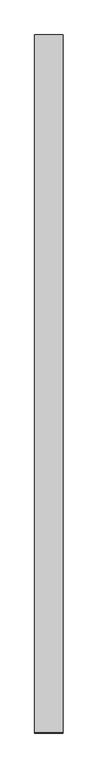
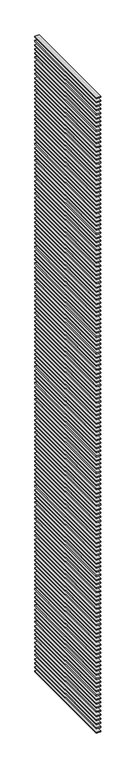
"""IFC4 building model written with IfcOpenShell, lengths in millimetres: proxy geometry."""

from ifc_helpers import new_model, si_unit, frame, origin, place, context, project, spatial, polyline, outline, extrude, source, transform, mapped, element, save


def generic_models_310be010(model_context):
    return source(origin(), model_context, "Body", "SweptSolid", [
        extrude(outline(polyline([(-100.0, -4895.0), (-300.0, -4895.0), (-300.0, 0.0), (-100.0, 0.0), (-100.0, -4895.0)])), frame((0.0, 0.0, 30975.0), z_axis=(0.0, 0.0, 1.0), x_axis=(1.0, 0.0, 0.0)), (0.0, 0.0, 1.0), 50.0),
        extrude(outline(polyline([(-100.0, -4895.0), (-300.0, -4895.0), (-300.0, 0.0), (-100.0, 0.0), (-100.0, -4895.0)])), frame((0.0, 0.0, 30775.0), z_axis=(0.0, 0.0, 1.0), x_axis=(1.0, 0.0, 0.0)), (0.0, 0.0, 1.0), 50.0),
        extrude(outline(polyline([(-100.0, -4895.0), (-300.0, -4895.0), (-300.0, 0.0), (-100.0, 0.0), (-100.0, -4895.0)])), frame((0.0, 0.0, 30575.0), z_axis=(0.0, 0.0, 1.0), x_axis=(1.0, 0.0, 0.0)), (0.0, 0.0, 1.0), 50.0),
        extrude(outline(polyline([(-100.0, -4895.0), (-300.0, -4895.0), (-300.0, 0.0), (-100.0, 0.0), (-100.0, -4895.0)])), frame((0.0, 0.0, 30375.0), z_axis=(0.0, 0.0, 1.0), x_axis=(1.0, 0.0, 0.0)), (0.0, 0.0, 1.0), 50.0),
        extrude(outline(polyline([(-100.0, -4895.0), (-300.0, -4895.0), (-300.0, 0.0), (-100.0, 0.0), (-100.0, -4895.0)])), frame((0.0, 0.0, 30175.0), z_axis=(0.0, 0.0, 1.0), x_axis=(1.0, 0.0, 0.0)), (0.0, 0.0, 1.0), 50.0),
        extrude(outline(polyline([(-100.0, -4895.0), (-300.0, -4895.0), (-300.0, 0.0), (-100.0, 0.0), (-100.0, -4895.0)])), frame((0.0, 0.0, 29975.0), z_axis=(0.0, 0.0, 1.0), x_axis=(1.0, 0.0, 0.0)), (0.0, 0.0, 1.0), 50.0),
        extrude(outline(polyline([(-100.0, -4895.0), (-300.0, -4895.0), (-300.0, 0.0), (-100.0, 0.0), (-100.0, -4895.0)])), frame((0.0, 0.0, 29775.0), z_axis=(0.0, 0.0, 1.0), x_axis=(1.0, 0.0, 0.0)), (0.0, 0.0, 1.0), 50.0),
        extrude(outline(polyline([(-100.0, -4895.0), (-300.0, -4895.0), (-300.0, 0.0), (-100.0, 0.0), (-100.0, -4895.0)])), frame((0.0, 0.0, 29575.0), z_axis=(0.0, 0.0, 1.0), x_axis=(1.0, 0.0, 0.0)), (0.0, 0.0, 1.0), 50.0),
        extrude(outline(polyline([(-100.0, -4895.0), (-300.0, -4895.0), (-300.0, 0.0), (-100.0, 0.0), (-100.0, -4895.0)])), frame((0.0, 0.0, 29375.0), z_axis=(0.0, 0.0, 1.0), x_axis=(1.0, 0.0, 0.0)), (0.0, 0.0, 1.0), 50.0),
        extrude(outline(polyline([(-100.0, -4895.0), (-300.0, -4895.0), (-300.0, 0.0), (-100.0, 0.0), (-100.0, -4895.0)])), frame((0.0, 0.0, 29175.0), z_axis=(0.0, 0.0, 1.0), x_axis=(1.0, 0.0, 0.0)), (0.0, 0.0, 1.0), 50.0),
        extrude(outline(polyline([(-100.0, -4895.0), (-300.0, -4895.0), (-300.0, 0.0), (-100.0, 0.0), (-100.0, -4895.0)])), frame((0.0, 0.0, 28975.0), z_axis=(0.0, 0.0, 1.0), x_axis=(1.0, 0.0, 0.0)), (0.0, 0.0, 1.0), 50.0),
        extrude(outline(polyline([(-100.0, -4895.0), (-300.0, -4895.0), (-300.0, 0.0), (-100.0, 0.0), (-100.0, -4895.0)])), frame((0.0, 0.0, 28775.0), z_axis=(0.0, 0.0, 1.0), x_axis=(1.0, 0.0, 0.0)), (0.0, 0.0, 1.0), 50.0),
        extrude(outline(polyline([(-100.0, -4895.0), (-300.0, -4895.0), (-300.0, 0.0), (-100.0, 0.0), (-100.0, -4895.0)])), frame((0.0, 0.0, 28575.0), z_axis=(0.0, 0.0, 1.0), x_axis=(1.0, 0.0, 0.0)), (0.0, 0.0, 1.0), 50.0),
        extrude(outline(polyline([(-100.0, -4895.0), (-300.0, -4895.0), (-300.0, 0.0), (-100.0, 0.0), (-100.0, -4895.0)])), frame((0.0, 0.0, 28375.0), z_axis=(0.0, 0.0, 1.0), x_axis=(1.0, 0.0, 0.0)), (0.0, 0.0, 1.0), 50.0),
        extrude(outline(polyline([(-100.0, -4895.0), (-300.0, -4895.0), (-300.0, 0.0), (-100.0, 0.0), (-100.0, -4895.0)])), frame((0.0, 0.0, 28175.0), z_axis=(0.0, 0.0, 1.0), x_axis=(1.0, 0.0, 0.0)), (0.0, 0.0, 1.0), 50.0),
        extrude(outline(polyline([(-100.0, -4895.0), (-300.0, -4895.0), (-300.0, 0.0), (-100.0, 0.0), (-100.0, -4895.0)])), frame((0.0, 0.0, 27975.0), z_axis=(0.0, 0.0, 1.0), x_axis=(1.0, 0.0, 0.0)), (0.0, 0.0, 1.0), 50.0),
        extrude(outline(polyline([(-100.0, -4895.0), (-300.0, -4895.0), (-300.0, 0.0), (-100.0, 0.0), (-100.0, -4895.0)])), frame((0.0, 0.0, 27775.0), z_axis=(0.0, 0.0, 1.0), x_axis=(1.0, 0.0, 0.0)), (0.0, 0.0, 1.0), 50.0),
        extrude(outline(polyline([(-100.0, -4895.0), (-300.0, -4895.0), (-300.0, 0.0), (-100.0, 0.0), (-100.0, -4895.0)])), frame((0.0, 0.0, 27575.0), z_axis=(0.0, 0.0, 1.0), x_axis=(1.0, 0.0, 0.0)), (0.0, 0.0, 1.0), 50.0),
        extrude(outline(polyline([(-100.0, -4895.0), (-300.0, -4895.0), (-300.0, 0.0), (-100.0, 0.0), (-100.0, -4895.0)])), frame((0.0, 0.0, 27375.0), z_axis=(0.0, 0.0, 1.0), x_axis=(1.0, 0.0, 0.0)), (0.0, 0.0, 1.0), 50.0),
        extrude(outline(polyline([(-100.0, -4895.0), (-300.0, -4895.0), (-300.0, 0.0), (-100.0, 0.0), (-100.0, -4895.0)])), frame((0.0, 0.0, 27175.0), z_axis=(0.0, 0.0, 1.0), x_axis=(1.0, 0.0, 0.0)), (0.0, 0.0, 1.0), 50.0),
        extrude(outline(polyline([(-100.0, -4895.0), (-300.0, -4895.0), (-300.0, 0.0), (-100.0, 0.0), (-100.0, -4895.0)])), frame((0.0, 0.0, 26975.0), z_axis=(0.0, 0.0, 1.0), x_axis=(1.0, 0.0, 0.0)), (0.0, 0.0, 1.0), 50.0),
        extrude(outline(polyline([(-100.0, -4895.0), (-300.0, -4895.0), (-300.0, 0.0), (-100.0, 0.0), (-100.0, -4895.0)])), frame((0.0, 0.0, 26775.0), z_axis=(0.0, 0.0, 1.0), x_axis=(1.0, 0.0, 0.0)), (0.0, 0.0, 1.0), 50.0),
        extrude(outline(polyline([(-100.0, -4895.0), (-300.0, -4895.0), (-300.0, 0.0), (-100.0, 0.0), (-100.0, -4895.0)])), frame((0.0, 0.0, 26575.0), z_axis=(0.0, 0.0, 1.0), x_axis=(1.0, 0.0, 0.0)), (0.0, 0.0, 1.0), 50.0),
        extrude(outline(polyline([(-100.0, -4895.0), (-300.0, -4895.0), (-300.0, 0.0), (-100.0, 0.0), (-100.0, -4895.0)])), frame((0.0, 0.0, 26375.0), z_axis=(0.0, 0.0, 1.0), x_axis=(1.0, 0.0, 0.0)), (0.0, 0.0, 1.0), 50.0),
        extrude(outline(polyline([(-100.0, -4895.0), (-300.0, -4895.0), (-300.0, 0.0), (-100.0, 0.0), (-100.0, -4895.0)])), frame((0.0, 0.0, 26175.0), z_axis=(0.0, 0.0, 1.0), x_axis=(1.0, 0.0, 0.0)), (0.0, 0.0, 1.0), 50.0),
        extrude(outline(polyline([(-100.0, -4895.0), (-300.0, -4895.0), (-300.0, 0.0), (-100.0, 0.0), (-100.0, -4895.0)])), frame((0.0, 0.0, 25975.0), z_axis=(0.0, 0.0, 1.0), x_axis=(1.0, 0.0, 0.0)), (0.0, 0.0, 1.0), 50.0),
        extrude(outline(polyline([(-100.0, -4895.0), (-300.0, -4895.0), (-300.0, 0.0), (-100.0, 0.0), (-100.0, -4895.0)])), frame((0.0, 0.0, 25775.0), z_axis=(0.0, 0.0, 1.0), x_axis=(1.0, 0.0, 0.0)), (0.0, 0.0, 1.0), 50.0),
        extrude(outline(polyline([(-100.0, -4895.0), (-300.0, -4895.0), (-300.0, 0.0), (-100.0, 0.0), (-100.0, -4895.0)])), frame((0.0, 0.0, 25575.0), z_axis=(0.0, 0.0, 1.0), x_axis=(1.0, 0.0, 0.0)), (0.0, 0.0, 1.0), 50.0),
        extrude(outline(polyline([(-100.0, -4895.0), (-300.0, -4895.0), (-300.0, 0.0), (-100.0, 0.0), (-100.0, -4895.0)])), frame((0.0, 0.0, 25375.0), z_axis=(0.0, 0.0, 1.0), x_axis=(1.0, 0.0, 0.0)), (0.0, 0.0, 1.0), 50.0),
        extrude(outline(polyline([(-100.0, -4895.0), (-300.0, -4895.0), (-300.0, 0.0), (-100.0, 0.0), (-100.0, -4895.0)])), frame((0.0, 0.0, 25175.0), z_axis=(0.0, 0.0, 1.0), x_axis=(1.0, 0.0, 0.0)), (0.0, 0.0, 1.0), 50.0),
        extrude(outline(polyline([(-100.0, -4895.0), (-300.0, -4895.0), (-300.0, 0.0), (-100.0, 0.0), (-100.0, -4895.0)])), frame((0.0, 0.0, 24975.0), z_axis=(0.0, 0.0, 1.0), x_axis=(1.0, 0.0, 0.0)), (0.0, 0.0, 1.0), 50.0),
        extrude(outline(polyline([(-100.0, -4895.0), (-300.0, -4895.0), (-300.0, 0.0), (-100.0, 0.0), (-100.0, -4895.0)])), frame((0.0, 0.0, 24775.0), z_axis=(0.0, 0.0, 1.0), x_axis=(1.0, 0.0, 0.0)), (0.0, 0.0, 1.0), 50.0),
        extrude(outline(polyline([(-100.0, -4895.0), (-300.0, -4895.0), (-300.0, 0.0), (-100.0, 0.0), (-100.0, -4895.0)])), frame((0.0, 0.0, 24575.0), z_axis=(0.0, 0.0, 1.0), x_axis=(1.0, 0.0, 0.0)), (0.0, 0.0, 1.0), 50.0),
        extrude(outline(polyline([(-100.0, -4895.0), (-300.0, -4895.0), (-300.0, 0.0), (-100.0, 0.0), (-100.0, -4895.0)])), frame((0.0, 0.0, 24375.0), z_axis=(0.0, 0.0, 1.0), x_axis=(1.0, 0.0, 0.0)), (0.0, 0.0, 1.0), 50.0),
        extrude(outline(polyline([(-100.0, -4895.0), (-300.0, -4895.0), (-300.0, 0.0), (-100.0, 0.0), (-100.0, -4895.0)])), frame((0.0, 0.0, 24175.0), z_axis=(0.0, 0.0, 1.0), x_axis=(1.0, 0.0, 0.0)), (0.0, 0.0, 1.0), 50.0),
        extrude(outline(polyline([(-100.0, -4895.0), (-300.0, -4895.0), (-300.0, 0.0), (-100.0, 0.0), (-100.0, -4895.0)])), frame((0.0, 0.0, 23975.0), z_axis=(0.0, 0.0, 1.0), x_axis=(1.0, 0.0, 0.0)), (0.0, 0.0, 1.0), 50.0),
        extrude(outline(polyline([(-100.0, -4895.0), (-300.0, -4895.0), (-300.0, 0.0), (-100.0, 0.0), (-100.0, -4895.0)])), frame((0.0, 0.0, 23775.0), z_axis=(0.0, 0.0, 1.0), x_axis=(1.0, 0.0, 0.0)), (0.0, 0.0, 1.0), 50.0),
        extrude(outline(polyline([(-100.0, -4895.0), (-300.0, -4895.0), (-300.0, 0.0), (-100.0, 0.0), (-100.0, -4895.0)])), frame((0.0, 0.0, 23575.0), z_axis=(0.0, 0.0, 1.0), x_axis=(1.0, 0.0, 0.0)), (0.0, 0.0, 1.0), 50.0),
        extrude(outline(polyline([(-100.0, -4895.0), (-300.0, -4895.0), (-300.0, 0.0), (-100.0, 0.0), (-100.0, -4895.0)])), frame((0.0, 0.0, 23375.0), z_axis=(0.0, 0.0, 1.0), x_axis=(1.0, 0.0, 0.0)), (0.0, 0.0, 1.0), 50.0),
        extrude(outline(polyline([(-100.0, -4895.0), (-300.0, -4895.0), (-300.0, 0.0), (-100.0, 0.0), (-100.0, -4895.0)])), frame((0.0, 0.0, 23175.0), z_axis=(0.0, 0.0, 1.0), x_axis=(1.0, 0.0, 0.0)), (0.0, 0.0, 1.0), 50.0),
        extrude(outline(polyline([(-100.0, -4895.0), (-300.0, -4895.0), (-300.0, 0.0), (-100.0, 0.0), (-100.0, -4895.0)])), frame((0.0, 0.0, 22975.0), z_axis=(0.0, 0.0, 1.0), x_axis=(1.0, 0.0, 0.0)), (0.0, 0.0, 1.0), 50.0),
        extrude(outline(polyline([(-100.0, -4895.0), (-300.0, -4895.0), (-300.0, 0.0), (-100.0, 0.0), (-100.0, -4895.0)])), frame((0.0, 0.0, 22775.0), z_axis=(0.0, 0.0, 1.0), x_axis=(1.0, 0.0, 0.0)), (0.0, 0.0, 1.0), 50.0),
        extrude(outline(polyline([(-100.0, -4895.0), (-300.0, -4895.0), (-300.0, 0.0), (-100.0, 0.0), (-100.0, -4895.0)])), frame((0.0, 0.0, 22575.0), z_axis=(0.0, 0.0, 1.0), x_axis=(1.0, 0.0, 0.0)), (0.0, 0.0, 1.0), 50.0),
        extrude(outline(polyline([(-100.0, -4895.0), (-300.0, -4895.0), (-300.0, 0.0), (-100.0, 0.0), (-100.0, -4895.0)])), frame((0.0, 0.0, 22375.0), z_axis=(0.0, 0.0, 1.0), x_axis=(1.0, 0.0, 0.0)), (0.0, 0.0, 1.0), 50.0),
        extrude(outline(polyline([(-100.0, -4895.0), (-300.0, -4895.0), (-300.0, 0.0), (-100.0, 0.0), (-100.0, -4895.0)])), frame((0.0, 0.0, 22175.0), z_axis=(0.0, 0.0, 1.0), x_axis=(1.0, 0.0, 0.0)), (0.0, 0.0, 1.0), 50.0),
        extrude(outline(polyline([(-100.0, -4895.0), (-300.0, -4895.0), (-300.0, 0.0), (-100.0, 0.0), (-100.0, -4895.0)])), frame((0.0, 0.0, 21975.0), z_axis=(0.0, 0.0, 1.0), x_axis=(1.0, 0.0, 0.0)), (0.0, 0.0, 1.0), 50.0),
        extrude(outline(polyline([(-100.0, -4895.0), (-300.0, -4895.0), (-300.0, 0.0), (-100.0, 0.0), (-100.0, -4895.0)])), frame((0.0, 0.0, 21775.0), z_axis=(0.0, 0.0, 1.0), x_axis=(1.0, 0.0, 0.0)), (0.0, 0.0, 1.0), 50.0),
        extrude(outline(polyline([(-100.0, -4895.0), (-300.0, -4895.0), (-300.0, 0.0), (-100.0, 0.0), (-100.0, -4895.0)])), frame((0.0, 0.0, 21575.0), z_axis=(0.0, 0.0, 1.0), x_axis=(1.0, 0.0, 0.0)), (0.0, 0.0, 1.0), 50.0),
        extrude(outline(polyline([(-100.0, -4895.0), (-300.0, -4895.0), (-300.0, 0.0), (-100.0, 0.0), (-100.0, -4895.0)])), frame((0.0, 0.0, 21375.0), z_axis=(0.0, 0.0, 1.0), x_axis=(1.0, 0.0, 0.0)), (0.0, 0.0, 1.0), 50.0),
        extrude(outline(polyline([(-100.0, -4895.0), (-300.0, -4895.0), (-300.0, 0.0), (-100.0, 0.0), (-100.0, -4895.0)])), frame((0.0, 0.0, 21175.0), z_axis=(0.0, 0.0, 1.0), x_axis=(1.0, 0.0, 0.0)), (0.0, 0.0, 1.0), 50.0),
        extrude(outline(polyline([(-100.0, -4895.0), (-300.0, -4895.0), (-300.0, 0.0), (-100.0, 0.0), (-100.0, -4895.0)])), frame((0.0, 0.0, 20975.0), z_axis=(0.0, 0.0, 1.0), x_axis=(1.0, 0.0, 0.0)), (0.0, 0.0, 1.0), 50.0),
        extrude(outline(polyline([(-100.0, -4895.0), (-300.0, -4895.0), (-300.0, 0.0), (-100.0, 0.0), (-100.0, -4895.0)])), frame((0.0, 0.0, 20775.0), z_axis=(0.0, 0.0, 1.0), x_axis=(1.0, 0.0, 0.0)), (0.0, 0.0, 1.0), 50.0),
        extrude(outline(polyline([(-100.0, -4895.0), (-300.0, -4895.0), (-300.0, 0.0), (-100.0, 0.0), (-100.0, -4895.0)])), frame((0.0, 0.0, 20575.0), z_axis=(0.0, 0.0, 1.0), x_axis=(1.0, 0.0, 0.0)), (0.0, 0.0, 1.0), 50.0),
        extrude(outline(polyline([(-100.0, -4895.0), (-300.0, -4895.0), (-300.0, 0.0), (-100.0, 0.0), (-100.0, -4895.0)])), frame((0.0, 0.0, 20375.0), z_axis=(0.0, 0.0, 1.0), x_axis=(1.0, 0.0, 0.0)), (0.0, 0.0, 1.0), 50.0),
        extrude(outline(polyline([(-100.0, -4895.0), (-300.0, -4895.0), (-300.0, 0.0), (-100.0, 0.0), (-100.0, -4895.0)])), frame((0.0, 0.0, 20175.0), z_axis=(0.0, 0.0, 1.0), x_axis=(1.0, 0.0, 0.0)), (0.0, 0.0, 1.0), 50.0),
        extrude(outline(polyline([(-100.0, -4895.0), (-300.0, -4895.0), (-300.0, 0.0), (-100.0, 0.0), (-100.0, -4895.0)])), frame((0.0, 0.0, 19975.0), z_axis=(0.0, 0.0, 1.0), x_axis=(1.0, 0.0, 0.0)), (0.0, 0.0, 1.0), 50.0),
        extrude(outline(polyline([(-100.0, -4895.0), (-300.0, -4895.0), (-300.0, 0.0), (-100.0, 0.0), (-100.0, -4895.0)])), frame((0.0, 0.0, 19775.0), z_axis=(0.0, 0.0, 1.0), x_axis=(1.0, 0.0, 0.0)), (0.0, 0.0, 1.0), 50.0),
        extrude(outline(polyline([(-100.0, -4895.0), (-300.0, -4895.0), (-300.0, 0.0), (-100.0, 0.0), (-100.0, -4895.0)])), frame((0.0, 0.0, 19575.0), z_axis=(0.0, 0.0, 1.0), x_axis=(1.0, 0.0, 0.0)), (0.0, 0.0, 1.0), 50.0),
        extrude(outline(polyline([(-100.0, -4895.0), (-300.0, -4895.0), (-300.0, 0.0), (-100.0, 0.0), (-100.0, -4895.0)])), frame((0.0, 0.0, 19375.0), z_axis=(0.0, 0.0, 1.0), x_axis=(1.0, 0.0, 0.0)), (0.0, 0.0, 1.0), 50.0),
        extrude(outline(polyline([(-100.0, -4895.0), (-300.0, -4895.0), (-300.0, 0.0), (-100.0, 0.0), (-100.0, -4895.0)])), frame((0.0, 0.0, 19175.0), z_axis=(0.0, 0.0, 1.0), x_axis=(1.0, 0.0, 0.0)), (0.0, 0.0, 1.0), 50.0),
        extrude(outline(polyline([(-100.0, -4895.0), (-300.0, -4895.0), (-300.0, 0.0), (-100.0, 0.0), (-100.0, -4895.0)])), frame((0.0, 0.0, 18975.0), z_axis=(0.0, 0.0, 1.0), x_axis=(1.0, 0.0, 0.0)), (0.0, 0.0, 1.0), 50.0),
        extrude(outline(polyline([(-100.0, -4895.0), (-300.0, -4895.0), (-300.0, 0.0), (-100.0, 0.0), (-100.0, -4895.0)])), frame((0.0, 0.0, 18775.0), z_axis=(0.0, 0.0, 1.0), x_axis=(1.0, 0.0, 0.0)), (0.0, 0.0, 1.0), 50.0),
        extrude(outline(polyline([(-100.0, -4895.0), (-300.0, -4895.0), (-300.0, 0.0), (-100.0, 0.0), (-100.0, -4895.0)])), frame((0.0, 0.0, 18575.0), z_axis=(0.0, 0.0, 1.0), x_axis=(1.0, 0.0, 0.0)), (0.0, 0.0, 1.0), 50.0),
        extrude(outline(polyline([(-100.0, -4895.0), (-300.0, -4895.0), (-300.0, 0.0), (-100.0, 0.0), (-100.0, -4895.0)])), frame((0.0, 0.0, 18375.0), z_axis=(0.0, 0.0, 1.0), x_axis=(1.0, 0.0, 0.0)), (0.0, 0.0, 1.0), 50.0),
        extrude(outline(polyline([(-100.0, -4895.0), (-300.0, -4895.0), (-300.0, 0.0), (-100.0, 0.0), (-100.0, -4895.0)])), frame((0.0, 0.0, 18175.0), z_axis=(0.0, 0.0, 1.0), x_axis=(1.0, 0.0, 0.0)), (0.0, 0.0, 1.0), 50.0),
        extrude(outline(polyline([(-100.0, -4895.0), (-300.0, -4895.0), (-300.0, 0.0), (-100.0, 0.0), (-100.0, -4895.0)])), frame((0.0, 0.0, 17975.0), z_axis=(0.0, 0.0, 1.0), x_axis=(1.0, 0.0, 0.0)), (0.0, 0.0, 1.0), 50.0),
        extrude(outline(polyline([(-100.0, -4895.0), (-300.0, -4895.0), (-300.0, 0.0), (-100.0, 0.0), (-100.0, -4895.0)])), frame((0.0, 0.0, 17775.0), z_axis=(0.0, 0.0, 1.0), x_axis=(1.0, 0.0, 0.0)), (0.0, 0.0, 1.0), 50.0),
        extrude(outline(polyline([(-100.0, -4895.0), (-300.0, -4895.0), (-300.0, 0.0), (-100.0, 0.0), (-100.0, -4895.0)])), frame((0.0, 0.0, 17575.0), z_axis=(0.0, 0.0, 1.0), x_axis=(1.0, 0.0, 0.0)), (0.0, 0.0, 1.0), 50.0),
        extrude(outline(polyline([(-100.0, -4895.0), (-300.0, -4895.0), (-300.0, 0.0), (-100.0, 0.0), (-100.0, -4895.0)])), frame((0.0, 0.0, 17375.0), z_axis=(0.0, 0.0, 1.0), x_axis=(1.0, 0.0, 0.0)), (0.0, 0.0, 1.0), 50.0),
        extrude(outline(polyline([(-100.0, -4895.0), (-300.0, -4895.0), (-300.0, 0.0), (-100.0, 0.0), (-100.0, -4895.0)])), frame((0.0, 0.0, 17175.0), z_axis=(0.0, 0.0, 1.0), x_axis=(1.0, 0.0, 0.0)), (0.0, 0.0, 1.0), 50.0),
        extrude(outline(polyline([(-100.0, -4895.0), (-300.0, -4895.0), (-300.0, 0.0), (-100.0, 0.0), (-100.0, -4895.0)])), frame((0.0, 0.0, 16975.0), z_axis=(0.0, 0.0, 1.0), x_axis=(1.0, 0.0, 0.0)), (0.0, 0.0, 1.0), 50.0),
        extrude(outline(polyline([(-100.0, -4895.0), (-300.0, -4895.0), (-300.0, 0.0), (-100.0, 0.0), (-100.0, -4895.0)])), frame((0.0, 0.0, 16775.0), z_axis=(0.0, 0.0, 1.0), x_axis=(1.0, 0.0, 0.0)), (0.0, 0.0, 1.0), 50.0),
        extrude(outline(polyline([(-100.0, -4895.0), (-300.0, -4895.0), (-300.0, 0.0), (-100.0, 0.0), (-100.0, -4895.0)])), frame((0.0, 0.0, 16575.0), z_axis=(0.0, 0.0, 1.0), x_axis=(1.0, 0.0, 0.0)), (0.0, 0.0, 1.0), 50.0),
        extrude(outline(polyline([(-100.0, -4895.0), (-300.0, -4895.0), (-300.0, 0.0), (-100.0, 0.0), (-100.0, -4895.0)])), frame((0.0, 0.0, 16375.0), z_axis=(0.0, 0.0, 1.0), x_axis=(1.0, 0.0, 0.0)), (0.0, 0.0, 1.0), 50.0),
        extrude(outline(polyline([(-100.0, -4895.0), (-300.0, -4895.0), (-300.0, 0.0), (-100.0, 0.0), (-100.0, -4895.0)])), frame((0.0, 0.0, 16175.0), z_axis=(0.0, 0.0, 1.0), x_axis=(1.0, 0.0, 0.0)), (0.0, 0.0, 1.0), 50.0),
        extrude(outline(polyline([(-100.0, -4895.0), (-300.0, -4895.0), (-300.0, 0.0), (-100.0, 0.0), (-100.0, -4895.0)])), frame((0.0, 0.0, 15975.0), z_axis=(0.0, 0.0, 1.0), x_axis=(1.0, 0.0, 0.0)), (0.0, 0.0, 1.0), 50.0),
        extrude(outline(polyline([(-100.0, -4895.0), (-300.0, -4895.0), (-300.0, 0.0), (-100.0, 0.0), (-100.0, -4895.0)])), frame((0.0, 0.0, 15775.0), z_axis=(0.0, 0.0, 1.0), x_axis=(1.0, 0.0, 0.0)), (0.0, 0.0, 1.0), 50.0),
        extrude(outline(polyline([(-100.0, -4895.0), (-300.0, -4895.0), (-300.0, 0.0), (-100.0, 0.0), (-100.0, -4895.0)])), frame((0.0, 0.0, 15575.0), z_axis=(0.0, 0.0, 1.0), x_axis=(1.0, 0.0, 0.0)), (0.0, 0.0, 1.0), 50.0),
        extrude(outline(polyline([(-100.0, -4895.0), (-300.0, -4895.0), (-300.0, 0.0), (-100.0, 0.0), (-100.0, -4895.0)])), frame((0.0, 0.0, 15375.0), z_axis=(0.0, 0.0, 1.0), x_axis=(1.0, 0.0, 0.0)), (0.0, 0.0, 1.0), 50.0),
        extrude(outline(polyline([(-100.0, -4895.0), (-300.0, -4895.0), (-300.0, 0.0), (-100.0, 0.0), (-100.0, -4895.0)])), frame((0.0, 0.0, 15175.0), z_axis=(0.0, 0.0, 1.0), x_axis=(1.0, 0.0, 0.0)), (0.0, 0.0, 1.0), 50.0),
        extrude(outline(polyline([(-100.0, -4895.0), (-300.0, -4895.0), (-300.0, 0.0), (-100.0, 0.0), (-100.0, -4895.0)])), frame((0.0, 0.0, 14975.0), z_axis=(0.0, 0.0, 1.0), x_axis=(1.0, 0.0, 0.0)), (0.0, 0.0, 1.0), 50.0),
        extrude(outline(polyline([(-100.0, -4895.0), (-300.0, -4895.0), (-300.0, 0.0), (-100.0, 0.0), (-100.0, -4895.0)])), frame((0.0, 0.0, 14775.0), z_axis=(0.0, 0.0, 1.0), x_axis=(1.0, 0.0, 0.0)), (0.0, 0.0, 1.0), 50.0),
        extrude(outline(polyline([(-100.0, -4895.0), (-300.0, -4895.0), (-300.0, 0.0), (-100.0, 0.0), (-100.0, -4895.0)])), frame((0.0, 0.0, 14575.0), z_axis=(0.0, 0.0, 1.0), x_axis=(1.0, 0.0, 0.0)), (0.0, 0.0, 1.0), 50.0),
        extrude(outline(polyline([(-100.0, -4895.0), (-300.0, -4895.0), (-300.0, 0.0), (-100.0, 0.0), (-100.0, -4895.0)])), frame((0.0, 0.0, 14375.0), z_axis=(0.0, 0.0, 1.0), x_axis=(1.0, 0.0, 0.0)), (0.0, 0.0, 1.0), 50.0),
        extrude(outline(polyline([(-100.0, -4895.0), (-300.0, -4895.0), (-300.0, 0.0), (-100.0, 0.0), (-100.0, -4895.0)])), frame((0.0, 0.0, 14175.0), z_axis=(0.0, 0.0, 1.0), x_axis=(1.0, 0.0, 0.0)), (0.0, 0.0, 1.0), 50.0),
        extrude(outline(polyline([(-100.0, -4895.0), (-300.0, -4895.0), (-300.0, 0.0), (-100.0, 0.0), (-100.0, -4895.0)])), frame((0.0, 0.0, 13975.0), z_axis=(0.0, 0.0, 1.0), x_axis=(1.0, 0.0, 0.0)), (0.0, 0.0, 1.0), 50.0),
        extrude(outline(polyline([(-100.0, -4895.0), (-300.0, -4895.0), (-300.0, 0.0), (-100.0, 0.0), (-100.0, -4895.0)])), frame((0.0, 0.0, 13775.0), z_axis=(0.0, 0.0, 1.0), x_axis=(1.0, 0.0, 0.0)), (0.0, 0.0, 1.0), 50.0),
        extrude(outline(polyline([(-100.0, -4895.0), (-300.0, -4895.0), (-300.0, 0.0), (-100.0, 0.0), (-100.0, -4895.0)])), frame((0.0, 0.0, 13575.0), z_axis=(0.0, 0.0, 1.0), x_axis=(1.0, 0.0, 0.0)), (0.0, 0.0, 1.0), 50.0),
        extrude(outline(polyline([(-100.0, -4895.0), (-300.0, -4895.0), (-300.0, 0.0), (-100.0, 0.0), (-100.0, -4895.0)])), frame((0.0, 0.0, 13375.0), z_axis=(0.0, 0.0, 1.0), x_axis=(1.0, 0.0, 0.0)), (0.0, 0.0, 1.0), 50.0),
        extrude(outline(polyline([(-100.0, -4895.0), (-300.0, -4895.0), (-300.0, 0.0), (-100.0, 0.0), (-100.0, -4895.0)])), frame((0.0, 0.0, 13175.0), z_axis=(0.0, 0.0, 1.0), x_axis=(1.0, 0.0, 0.0)), (0.0, 0.0, 1.0), 50.0),
        extrude(outline(polyline([(-100.0, -4895.0), (-300.0, -4895.0), (-300.0, 0.0), (-100.0, 0.0), (-100.0, -4895.0)])), frame((0.0, 0.0, 12975.0), z_axis=(0.0, 0.0, 1.0), x_axis=(1.0, 0.0, 0.0)), (0.0, 0.0, 1.0), 50.0),
        extrude(outline(polyline([(-100.0, -4895.0), (-300.0, -4895.0), (-300.0, 0.0), (-100.0, 0.0), (-100.0, -4895.0)])), frame((0.0, 0.0, 12775.0), z_axis=(0.0, 0.0, 1.0), x_axis=(1.0, 0.0, 0.0)), (0.0, 0.0, 1.0), 50.0),
        extrude(outline(polyline([(-100.0, -4895.0), (-300.0, -4895.0), (-300.0, 0.0), (-100.0, 0.0), (-100.0, -4895.0)])), frame((0.0, 0.0, 12575.0), z_axis=(0.0, 0.0, 1.0), x_axis=(1.0, 0.0, 0.0)), (0.0, 0.0, 1.0), 50.0),
        extrude(outline(polyline([(-100.0, -4895.0), (-300.0, -4895.0), (-300.0, 0.0), (-100.0, 0.0), (-100.0, -4895.0)])), frame((0.0, 0.0, 12375.0), z_axis=(0.0, 0.0, 1.0), x_axis=(1.0, 0.0, 0.0)), (0.0, 0.0, 1.0), 50.0),
        extrude(outline(polyline([(-100.0, -4895.0), (-300.0, -4895.0), (-300.0, 0.0), (-100.0, 0.0), (-100.0, -4895.0)])), frame((0.0, 0.0, 12175.0), z_axis=(0.0, 0.0, 1.0), x_axis=(1.0, 0.0, 0.0)), (0.0, 0.0, 1.0), 50.0),
        extrude(outline(polyline([(-100.0, -4895.0), (-300.0, -4895.0), (-300.0, 0.0), (-100.0, 0.0), (-100.0, -4895.0)])), frame((0.0, 0.0, 11975.0), z_axis=(0.0, 0.0, 1.0), x_axis=(1.0, 0.0, 0.0)), (0.0, 0.0, 1.0), 50.0),
        extrude(outline(polyline([(-100.0, -4895.0), (-300.0, -4895.0), (-300.0, 0.0), (-100.0, 0.0), (-100.0, -4895.0)])), frame((0.0, 0.0, 11775.0), z_axis=(0.0, 0.0, 1.0), x_axis=(1.0, 0.0, 0.0)), (0.0, 0.0, 1.0), 50.0),
        extrude(outline(polyline([(-100.0, -4895.0), (-300.0, -4895.0), (-300.0, 0.0), (-100.0, 0.0), (-100.0, -4895.0)])), frame((0.0, 0.0, 11575.0), z_axis=(0.0, 0.0, 1.0), x_axis=(1.0, 0.0, 0.0)), (0.0, 0.0, 1.0), 50.0),
        extrude(outline(polyline([(-100.0, -4895.0), (-300.0, -4895.0), (-300.0, 0.0), (-100.0, 0.0), (-100.0, -4895.0)])), frame((0.0, 0.0, 11375.0), z_axis=(0.0, 0.0, 1.0), x_axis=(1.0, 0.0, 0.0)), (0.0, 0.0, 1.0), 50.0),
        extrude(outline(polyline([(-100.0, -4895.0), (-300.0, -4895.0), (-300.0, 0.0), (-100.0, 0.0), (-100.0, -4895.0)])), frame((0.0, 0.0, 11175.0), z_axis=(0.0, 0.0, 1.0), x_axis=(1.0, 0.0, 0.0)), (0.0, 0.0, 1.0), 50.0),
        extrude(outline(polyline([(-100.0, -4895.0), (-300.0, -4895.0), (-300.0, 0.0), (-100.0, 0.0), (-100.0, -4895.0)])), frame((0.0, 0.0, 10975.0), z_axis=(0.0, 0.0, 1.0), x_axis=(1.0, 0.0, 0.0)), (0.0, 0.0, 1.0), 50.0),
        extrude(outline(polyline([(-100.0, -4895.0), (-300.0, -4895.0), (-300.0, 0.0), (-100.0, 0.0), (-100.0, -4895.0)])), frame((0.0, 0.0, 10775.0), z_axis=(0.0, 0.0, 1.0), x_axis=(1.0, 0.0, 0.0)), (0.0, 0.0, 1.0), 50.0),
        extrude(outline(polyline([(-100.0, -4895.0), (-300.0, -4895.0), (-300.0, 0.0), (-100.0, 0.0), (-100.0, -4895.0)])), frame((0.0, 0.0, 10575.0), z_axis=(0.0, 0.0, 1.0), x_axis=(1.0, 0.0, 0.0)), (0.0, 0.0, 1.0), 50.0),
        extrude(outline(polyline([(-100.0, -4895.0), (-300.0, -4895.0), (-300.0, 0.0), (-100.0, 0.0), (-100.0, -4895.0)])), frame((0.0, 0.0, 10375.0), z_axis=(0.0, 0.0, 1.0), x_axis=(1.0, 0.0, 0.0)), (0.0, 0.0, 1.0), 50.0),
        extrude(outline(polyline([(-100.0, -4895.0), (-300.0, -4895.0), (-300.0, 0.0), (-100.0, 0.0), (-100.0, -4895.0)])), frame((0.0, 0.0, 10175.0), z_axis=(0.0, 0.0, 1.0), x_axis=(1.0, 0.0, 0.0)), (0.0, 0.0, 1.0), 50.0),
        extrude(outline(polyline([(-100.0, -4895.0), (-300.0, -4895.0), (-300.0, 0.0), (-100.0, 0.0), (-100.0, -4895.0)])), frame((0.0, 0.0, 9975.0), z_axis=(0.0, 0.0, 1.0), x_axis=(1.0, 0.0, 0.0)), (0.0, 0.0, 1.0), 50.0),
        extrude(outline(polyline([(-100.0, -4895.0), (-300.0, -4895.0), (-300.0, 0.0), (-100.0, 0.0), (-100.0, -4895.0)])), frame((0.0, 0.0, 9775.0), z_axis=(0.0, 0.0, 1.0), x_axis=(1.0, 0.0, 0.0)), (0.0, 0.0, 1.0), 50.0),
        extrude(outline(polyline([(-100.0, -4895.0), (-300.0, -4895.0), (-300.0, 0.0), (-100.0, 0.0), (-100.0, -4895.0)])), frame((0.0, 0.0, 9575.0), z_axis=(0.0, 0.0, 1.0), x_axis=(1.0, 0.0, 0.0)), (0.0, 0.0, 1.0), 50.0),
        extrude(outline(polyline([(-100.0, -4895.0), (-300.0, -4895.0), (-300.0, 0.0), (-100.0, 0.0), (-100.0, -4895.0)])), frame((0.0, 0.0, 9375.0), z_axis=(0.0, 0.0, 1.0), x_axis=(1.0, 0.0, 0.0)), (0.0, 0.0, 1.0), 50.0),
        extrude(outline(polyline([(-100.0, -4895.0), (-300.0, -4895.0), (-300.0, 0.0), (-100.0, 0.0), (-100.0, -4895.0)])), frame((0.0, 0.0, 9175.0), z_axis=(0.0, 0.0, 1.0), x_axis=(1.0, 0.0, 0.0)), (0.0, 0.0, 1.0), 50.0),
        extrude(outline(polyline([(-100.0, -4895.0), (-300.0, -4895.0), (-300.0, 0.0), (-100.0, 0.0), (-100.0, -4895.0)])), frame((0.0, 0.0, 8975.0), z_axis=(0.0, 0.0, 1.0), x_axis=(1.0, 0.0, 0.0)), (0.0, 0.0, 1.0), 50.0),
        extrude(outline(polyline([(-100.0, -4895.0), (-300.0, -4895.0), (-300.0, 0.0), (-100.0, 0.0), (-100.0, -4895.0)])), frame((0.0, 0.0, 8775.0), z_axis=(0.0, 0.0, 1.0), x_axis=(1.0, 0.0, 0.0)), (0.0, 0.0, 1.0), 50.0),
        extrude(outline(polyline([(-100.0, -4895.0), (-300.0, -4895.0), (-300.0, 0.0), (-100.0, 0.0), (-100.0, -4895.0)])), frame((0.0, 0.0, 8575.0), z_axis=(0.0, 0.0, 1.0), x_axis=(1.0, 0.0, 0.0)), (0.0, 0.0, 1.0), 50.0),
        extrude(outline(polyline([(-100.0, -4895.0), (-300.0, -4895.0), (-300.0, 0.0), (-100.0, 0.0), (-100.0, -4895.0)])), frame((0.0, 0.0, 8375.0), z_axis=(0.0, 0.0, 1.0), x_axis=(1.0, 0.0, 0.0)), (0.0, 0.0, 1.0), 50.0),
        extrude(outline(polyline([(-100.0, -4895.0), (-300.0, -4895.0), (-300.0, 0.0), (-100.0, 0.0), (-100.0, -4895.0)])), frame((0.0, 0.0, 8175.0), z_axis=(0.0, 0.0, 1.0), x_axis=(1.0, 0.0, 0.0)), (0.0, 0.0, 1.0), 50.0),
        extrude(outline(polyline([(-100.0, -4895.0), (-300.0, -4895.0), (-300.0, 0.0), (-100.0, 0.0), (-100.0, -4895.0)])), frame((0.0, 0.0, 7975.0), z_axis=(0.0, 0.0, 1.0), x_axis=(1.0, 0.0, 0.0)), (0.0, 0.0, 1.0), 50.0),
        extrude(outline(polyline([(-100.0, -4895.0), (-300.0, -4895.0), (-300.0, 0.0), (-100.0, 0.0), (-100.0, -4895.0)])), frame((0.0, 0.0, 7775.0), z_axis=(0.0, 0.0, 1.0), x_axis=(1.0, 0.0, 0.0)), (0.0, 0.0, 1.0), 50.0),
        extrude(outline(polyline([(-100.0, -4895.0), (-300.0, -4895.0), (-300.0, 0.0), (-100.0, 0.0), (-100.0, -4895.0)])), frame((0.0, 0.0, 7575.0), z_axis=(0.0, 0.0, 1.0), x_axis=(1.0, 0.0, 0.0)), (0.0, 0.0, 1.0), 50.0),
        extrude(outline(polyline([(-100.0, -4895.0), (-300.0, -4895.0), (-300.0, 0.0), (-100.0, 0.0), (-100.0, -4895.0)])), frame((0.0, 0.0, 7375.0), z_axis=(0.0, 0.0, 1.0), x_axis=(1.0, 0.0, 0.0)), (0.0, 0.0, 1.0), 50.0),
        extrude(outline(polyline([(-100.0, -4895.0), (-300.0, -4895.0), (-300.0, 0.0), (-100.0, 0.0), (-100.0, -4895.0)])), frame((0.0, 0.0, 7175.0), z_axis=(0.0, 0.0, 1.0), x_axis=(1.0, 0.0, 0.0)), (0.0, 0.0, 1.0), 50.0),
        extrude(outline(polyline([(-100.0, -4895.0), (-300.0, -4895.0), (-300.0, 0.0), (-100.0, 0.0), (-100.0, -4895.0)])), frame((0.0, 0.0, 6975.0), z_axis=(0.0, 0.0, 1.0), x_axis=(1.0, 0.0, 0.0)), (0.0, 0.0, 1.0), 50.0),
        extrude(outline(polyline([(-100.0, -4895.0), (-300.0, -4895.0), (-300.0, 0.0), (-100.0, 0.0), (-100.0, -4895.0)])), frame((0.0, 0.0, 6775.0), z_axis=(0.0, 0.0, 1.0), x_axis=(1.0, 0.0, 0.0)), (0.0, 0.0, 1.0), 50.0),
        extrude(outline(polyline([(-100.0, -4895.0), (-300.0, -4895.0), (-300.0, 0.0), (-100.0, 0.0), (-100.0, -4895.0)])), frame((0.0, 0.0, 6575.0), z_axis=(0.0, 0.0, 1.0), x_axis=(1.0, 0.0, 0.0)), (0.0, 0.0, 1.0), 50.0),
        extrude(outline(polyline([(-100.0, -4895.0), (-300.0, -4895.0), (-300.0, 0.0), (-100.0, 0.0), (-100.0, -4895.0)])), frame((0.0, 0.0, 6375.0), z_axis=(0.0, 0.0, 1.0), x_axis=(1.0, 0.0, 0.0)), (0.0, 0.0, 1.0), 50.0),
        extrude(outline(polyline([(-100.0, -4895.0), (-300.0, -4895.0), (-300.0, 0.0), (-100.0, 0.0), (-100.0, -4895.0)])), frame((0.0, 0.0, 6175.0), z_axis=(0.0, 0.0, 1.0), x_axis=(1.0, 0.0, 0.0)), (0.0, 0.0, 1.0), 50.0),
        extrude(outline(polyline([(-100.0, -4895.0), (-300.0, -4895.0), (-300.0, 0.0), (-100.0, 0.0), (-100.0, -4895.0)])), frame((0.0, 0.0, 5975.0), z_axis=(0.0, 0.0, 1.0), x_axis=(1.0, 0.0, 0.0)), (0.0, 0.0, 1.0), 50.0),
        extrude(outline(polyline([(-100.0, -4895.0), (-300.0, -4895.0), (-300.0, 0.0), (-100.0, 0.0), (-100.0, -4895.0)])), frame((0.0, 0.0, 5775.0), z_axis=(0.0, 0.0, 1.0), x_axis=(1.0, 0.0, 0.0)), (0.0, 0.0, 1.0), 50.0),
        extrude(outline(polyline([(-100.0, -4895.0), (-300.0, -4895.0), (-300.0, 0.0), (-100.0, 0.0), (-100.0, -4895.0)])), frame((0.0, 0.0, 5575.0), z_axis=(0.0, 0.0, 1.0), x_axis=(1.0, 0.0, 0.0)), (0.0, 0.0, 1.0), 50.0),
        extrude(outline(polyline([(-100.0, -4895.0), (-300.0, -4895.0), (-300.0, 0.0), (-100.0, 0.0), (-100.0, -4895.0)])), frame((0.0, 0.0, 5375.0), z_axis=(0.0, 0.0, 1.0), x_axis=(1.0, 0.0, 0.0)), (0.0, 0.0, 1.0), 50.0),
        extrude(outline(polyline([(-100.0, -4895.0), (-300.0, -4895.0), (-300.0, 0.0), (-100.0, 0.0), (-100.0, -4895.0)])), frame((0.0, 0.0, 5175.0), z_axis=(0.0, 0.0, 1.0), x_axis=(1.0, 0.0, 0.0)), (0.0, 0.0, 1.0), 50.0),
        extrude(outline(polyline([(-100.0, -4895.0), (-300.0, -4895.0), (-300.0, 0.0), (-100.0, 0.0), (-100.0, -4895.0)])), frame((0.0, 0.0, 4975.0), z_axis=(0.0, 0.0, 1.0), x_axis=(1.0, 0.0, 0.0)), (0.0, 0.0, 1.0), 50.0),
        extrude(outline(polyline([(-100.0, -4895.0), (-300.0, -4895.0), (-300.0, 0.0), (-100.0, 0.0), (-100.0, -4895.0)])), frame((0.0, 0.0, 4775.0), z_axis=(0.0, 0.0, 1.0), x_axis=(1.0, 0.0, 0.0)), (0.0, 0.0, 1.0), 50.0),
        extrude(outline(polyline([(-100.0, -4895.0), (-300.0, -4895.0), (-300.0, 0.0), (-100.0, 0.0), (-100.0, -4895.0)])), frame((0.0, 0.0, 4575.0), z_axis=(0.0, 0.0, 1.0), x_axis=(1.0, 0.0, 0.0)), (0.0, 0.0, 1.0), 50.0),
        extrude(outline(polyline([(-100.0, -4895.0), (-300.0, -4895.0), (-300.0, 0.0), (-100.0, 0.0), (-100.0, -4895.0)])), frame((0.0, 0.0, 4375.0), z_axis=(0.0, 0.0, 1.0), x_axis=(1.0, 0.0, 0.0)), (0.0, 0.0, 1.0), 50.0),
        extrude(outline(polyline([(-100.0, -4895.0), (-300.0, -4895.0), (-300.0, 0.0), (-100.0, 0.0), (-100.0, -4895.0)])), frame((0.0, 0.0, 4175.0), z_axis=(0.0, 0.0, 1.0), x_axis=(1.0, 0.0, 0.0)), (0.0, 0.0, 1.0), 50.0),
        extrude(outline(polyline([(-100.0, -4895.0), (-300.0, -4895.0), (-300.0, 0.0), (-100.0, 0.0), (-100.0, -4895.0)])), frame((0.0, 0.0, 3975.0), z_axis=(0.0, 0.0, 1.0), x_axis=(1.0, 0.0, 0.0)), (0.0, 0.0, 1.0), 50.0),
        extrude(outline(polyline([(-100.0, -4895.0), (-300.0, -4895.0), (-300.0, 0.0), (-100.0, 0.0), (-100.0, -4895.0)])), frame((0.0, 0.0, 3775.0), z_axis=(0.0, 0.0, 1.0), x_axis=(1.0, 0.0, 0.0)), (0.0, 0.0, 1.0), 50.0),
        extrude(outline(polyline([(-100.0, -4895.0), (-300.0, -4895.0), (-300.0, 0.0), (-100.0, 0.0), (-100.0, -4895.0)])), frame((0.0, 0.0, 3575.0), z_axis=(0.0, 0.0, 1.0), x_axis=(1.0, 0.0, 0.0)), (0.0, 0.0, 1.0), 50.0),
        extrude(outline(polyline([(-100.0, -4895.0), (-300.0, -4895.0), (-300.0, 0.0), (-100.0, 0.0), (-100.0, -4895.0)])), frame((0.0, 0.0, 3375.0), z_axis=(0.0, 0.0, 1.0), x_axis=(1.0, 0.0, 0.0)), (0.0, 0.0, 1.0), 50.0),
        extrude(outline(polyline([(-100.0, -4895.0), (-300.0, -4895.0), (-300.0, 0.0), (-100.0, 0.0), (-100.0, -4895.0)])), frame((0.0, 0.0, 3175.0), z_axis=(0.0, 0.0, 1.0), x_axis=(1.0, 0.0, 0.0)), (0.0, 0.0, 1.0), 50.0),
        extrude(outline(polyline([(-100.0, -4895.0), (-300.0, -4895.0), (-300.0, 0.0), (-100.0, 0.0), (-100.0, -4895.0)])), frame((0.0, 0.0, 2975.0), z_axis=(0.0, 0.0, 1.0), x_axis=(1.0, 0.0, 0.0)), (0.0, 0.0, 1.0), 50.0),
        extrude(outline(polyline([(-100.0, -4895.0), (-300.0, -4895.0), (-300.0, 0.0), (-100.0, 0.0), (-100.0, -4895.0)])), frame((0.0, 0.0, 2775.0), z_axis=(0.0, 0.0, 1.0), x_axis=(1.0, 0.0, 0.0)), (0.0, 0.0, 1.0), 50.0),
        extrude(outline(polyline([(-100.0, -4895.0), (-300.0, -4895.0), (-300.0, 0.0), (-100.0, 0.0), (-100.0, -4895.0)])), frame((0.0, 0.0, 2575.0), z_axis=(0.0, 0.0, 1.0), x_axis=(1.0, 0.0, 0.0)), (0.0, 0.0, 1.0), 50.0),
        extrude(outline(polyline([(-100.0, -4895.0), (-300.0, -4895.0), (-300.0, 0.0), (-100.0, 0.0), (-100.0, -4895.0)])), frame((0.0, 0.0, 2375.0), z_axis=(0.0, 0.0, 1.0), x_axis=(1.0, 0.0, 0.0)), (0.0, 0.0, 1.0), 50.0),
        extrude(outline(polyline([(-100.0, -4895.0), (-300.0, -4895.0), (-300.0, 0.0), (-100.0, 0.0), (-100.0, -4895.0)])), frame((0.0, 0.0, 2175.0), z_axis=(0.0, 0.0, 1.0), x_axis=(1.0, 0.0, 0.0)), (0.0, 0.0, 1.0), 50.0),
        extrude(outline(polyline([(-100.0, -4895.0), (-300.0, -4895.0), (-300.0, 0.0), (-100.0, 0.0), (-100.0, -4895.0)])), frame((0.0, 0.0, 1975.0), z_axis=(0.0, 0.0, 1.0), x_axis=(1.0, 0.0, 0.0)), (0.0, 0.0, 1.0), 50.0),
        extrude(outline(polyline([(-100.0, -4895.0), (-300.0, -4895.0), (-300.0, 0.0), (-100.0, 0.0), (-100.0, -4895.0)])), frame((0.0, 0.0, 1775.0), z_axis=(0.0, 0.0, 1.0), x_axis=(1.0, 0.0, 0.0)), (0.0, 0.0, 1.0), 50.0),
        extrude(outline(polyline([(-100.0, -4895.0), (-300.0, -4895.0), (-300.0, 0.0), (-100.0, 0.0), (-100.0, -4895.0)])), frame((0.0, 0.0, 1575.0), z_axis=(0.0, 0.0, 1.0), x_axis=(1.0, 0.0, 0.0)), (0.0, 0.0, 1.0), 50.0),
        extrude(outline(polyline([(-100.0, -4895.0), (-300.0, -4895.0), (-300.0, 0.0), (-100.0, 0.0), (-100.0, -4895.0)])), frame((0.0, 0.0, 1375.0), z_axis=(0.0, 0.0, 1.0), x_axis=(1.0, 0.0, 0.0)), (0.0, 0.0, 1.0), 50.0),
        extrude(outline(polyline([(-100.0, -4895.0), (-300.0, -4895.0), (-300.0, 0.0), (-100.0, 0.0), (-100.0, -4895.0)])), frame((0.0, 0.0, 1175.0), z_axis=(0.0, 0.0, 1.0), x_axis=(1.0, 0.0, 0.0)), (0.0, 0.0, 1.0), 50.0),
        extrude(outline(polyline([(-100.0, -4895.0), (-300.0, -4895.0), (-300.0, 0.0), (-100.0, 0.0), (-100.0, -4895.0)])), frame((0.0, 0.0, 975.0), z_axis=(0.0, 0.0, 1.0), x_axis=(1.0, 0.0, 0.0)), (0.0, 0.0, 1.0), 50.0),
        extrude(outline(polyline([(-100.0, -4895.0), (-300.0, -4895.0), (-300.0, 0.0), (-100.0, 0.0), (-100.0, -4895.0)])), frame((0.0, 0.0, 775.0), z_axis=(0.0, 0.0, 1.0), x_axis=(1.0, 0.0, 0.0)), (0.0, 0.0, 1.0), 50.0),
        extrude(outline(polyline([(-100.0, -4895.0), (-300.0, -4895.0), (-300.0, 0.0), (-100.0, 0.0), (-100.0, -4895.0)])), frame((0.0, 0.0, 575.0), z_axis=(0.0, 0.0, 1.0), x_axis=(1.0, 0.0, 0.0)), (0.0, 0.0, 1.0), 50.0),
        extrude(outline(polyline([(-100.0, -4895.0), (-300.0, -4895.0), (-300.0, 0.0), (-100.0, 0.0), (-100.0, -4895.0)])), frame((0.0, 0.0, 375.0), z_axis=(0.0, 0.0, 1.0), x_axis=(1.0, 0.0, 0.0)), (0.0, 0.0, 1.0), 50.0),
        extrude(outline(polyline([(-100.0, -4895.0), (-300.0, -4895.0), (-300.0, 0.0), (-100.0, 0.0), (-100.0, -4895.0)])), frame((0.0, 0.0, 175.0), z_axis=(0.0, 0.0, 1.0), x_axis=(1.0, 0.0, 0.0)), (0.0, 0.0, 1.0), 50.0),
    ])


if __name__ == "__main__":
    model = new_model("IFC4")
    model_context = context("Model", 3, world=origin())
    ifc_project = project(units=[si_unit("LENGTHUNIT", "METRE", prefix="MILLI")], contexts=[model_context])
    site = spatial("IfcSite", under=ifc_project)
    building = spatial("IfcBuilding", under=site)
    placement = place(None, origin())
    generic_models_shape = generic_models_310be010(model_context)
    element("IfcBuildingElementProxy", 1, Name="Generic Models", at=placement, inside=building, context=model_context, shape_type="MappedRepresentation", body=[
        mapped(generic_models_shape, transform((0.0, 0.0, 0.0), x_axis=(1.0, 0.0, 0.0), y_axis=(0.0, 1.0, 0.0), z_axis=(0.0, 0.0, 1.0))),
    ])
    save(model, "model.ifc")
